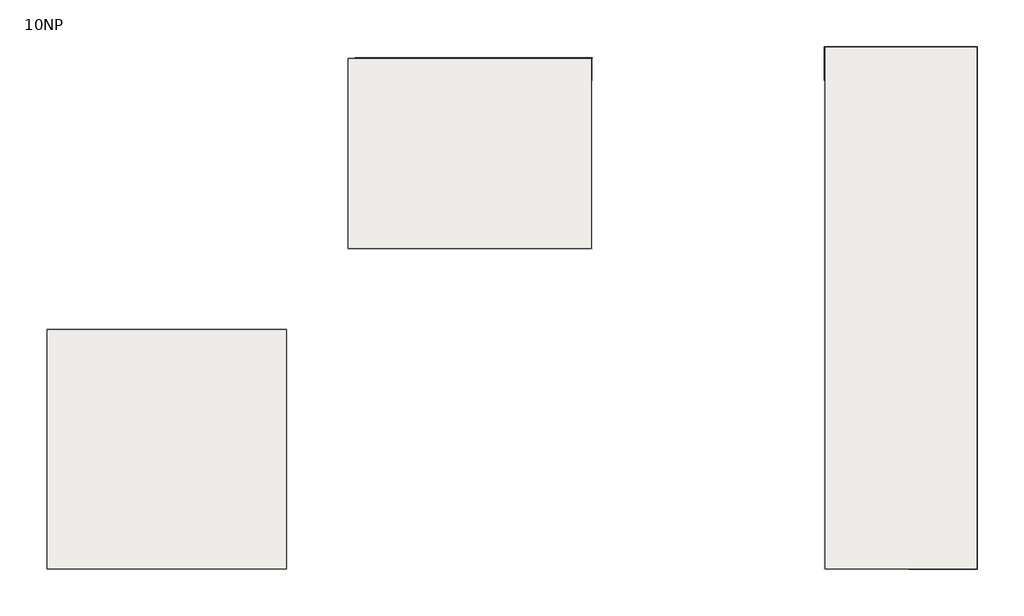
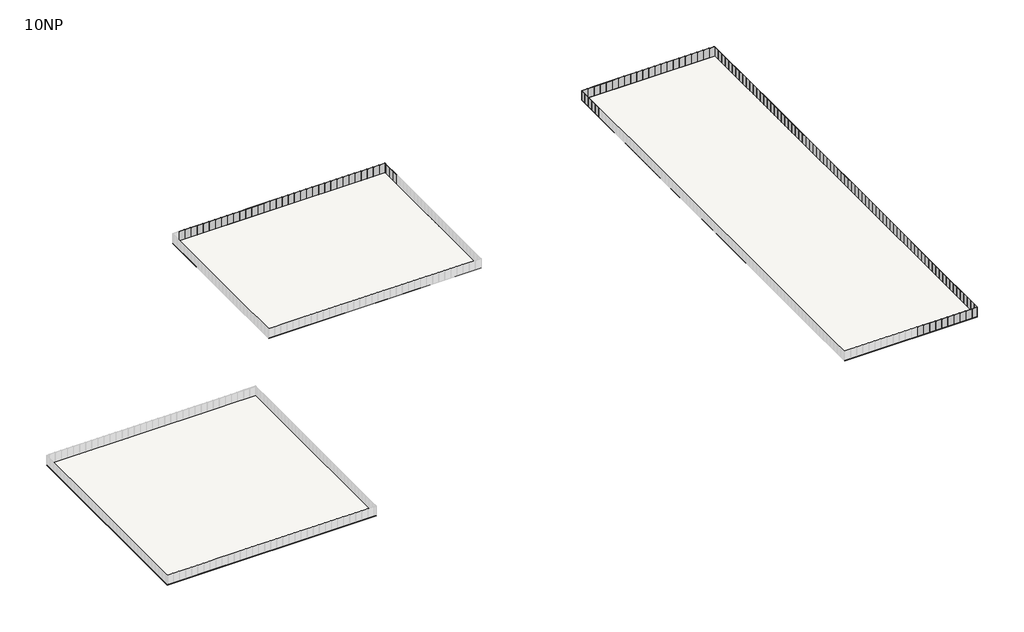
# One storey, part 3 of 3: 150 plates, 3 slabs.
"""IFC4 building model written with IfcOpenShell, lengths in millimetres."""

import ifcopenshell
import ifcopenshell.guid

model = None  # the IFC model being written
_history = None  # IfcOwnerHistory: only IFC2X3 demands one
_inside = {}  # id of a spatial element -> (the spatial element, [elements in it])
_under = {}  # id of a project, library or spatial element -> (it, [spatial elements below it])
_declared = {}  # id of a project -> (the project, [libraries it declares])
_typed = {}  # id of a type object -> (the type object, [elements of that type])
_made_of = {}  # id of a material, layer set ... -> (it, [elements and type objects made of it])


def new_model(schema):
    """Start an empty IFC model of exactly this schema.

    Asked for "IFC4X3", IfcOpenShell would pick the latest addendum, in which some entities
    have other attributes; the version numbers below select the first issue.
    IFC2X3 requires an IfcOwnerHistory on every rooted entity: one is made here for all.
    """
    global model, _history
    if schema == "IFC4X3":
        model = ifcopenshell.file(schema_version=(4, 3, 0, 0))
    else:
        model = ifcopenshell.file(schema=schema)
    _inside.clear()
    _under.clear()
    _declared.clear()
    _typed.clear()
    _made_of.clear()
    _history = None
    if model.schema == "IFC2X3":
        org = make("IfcOrganization", Name="unknown")
        user = make(
            "IfcPersonAndOrganization",
            ThePerson=make("IfcPerson", FamilyName="unknown"),
            TheOrganization=org,
        )
        app = make(
            "IfcApplication",
            ApplicationDeveloper=org,
            Version="unknown",
            ApplicationFullName="unknown",
            ApplicationIdentifier="unknown",
        )
        _history = make(
            "IfcOwnerHistory",
            OwningUser=user,
            OwningApplication=app,
            ChangeAction="ADDED",
            CreationDate=0,
        )
    return model


def make(cls, **values):
    """One entity of the class cls with the attributes given. An attribute that is None is left unset."""
    return model.create_entity(
        cls, **{name: value for name, value in values.items() if value is not None}
    )


def rooted(cls, **values):
    """An entity with a GlobalId (a new one), such as an element, a storey or a relation."""
    return make(cls, GlobalId=ifcopenshell.guid.new(), OwnerHistory=_history, **values)


def si_unit(unit_type, name, prefix=None):
    """IfcSIUnit, for example si_unit("LENGTHUNIT", "METRE", prefix="MILLI")."""
    return make("IfcSIUnit", UnitType=unit_type, Prefix=prefix, Name=name)


def assignment(units):
    """IfcUnitAssignment: the units of a project."""
    return None if units is None else make("IfcUnitAssignment", Units=units)


def point(xyz):
    """IfcCartesianPoint."""
    return None if xyz is None else make("IfcCartesianPoint", Coordinates=xyz)


def direction(xyz):
    """IfcDirection."""
    return None if xyz is None else make("IfcDirection", DirectionRatios=xyz)


def frame(location, z_axis=None, x_axis=None):
    """IfcAxis2Placement3D, a coordinate frame: its origin and axes. An axis left out is left unset."""
    return make(
        "IfcAxis2Placement3D",
        Location=point(location),
        Axis=direction(z_axis),
        RefDirection=direction(x_axis),
    )


def origin():
    """The frame at (0, 0, 0) with its axes left unset."""
    return frame((0.0, 0.0, 0.0))


def origin_with_axes():
    """The frame at (0, 0, 0) with the z axis (0, 0, 1) and the x axis (1, 0, 0) written out."""
    return frame((0.0, 0.0, 0.0), z_axis=(0.0, 0.0, 1.0), x_axis=(1.0, 0.0, 0.0))


def place(relative_to, where):
    """IfcLocalPlacement: puts the frame where relative to a parent placement (None: the world)."""
    return make(
        "IfcLocalPlacement", PlacementRelTo=relative_to, RelativePlacement=where
    )


def context(
    kind, dimensions, precision=None, world=None, true_north=None, identifier=None
):
    """IfcGeometricRepresentationContext, for example the 3D "Model" context."""
    return make(
        "IfcGeometricRepresentationContext",
        ContextIdentifier=identifier,
        ContextType=kind,
        CoordinateSpaceDimension=dimensions,
        Precision=precision,
        WorldCoordinateSystem=world,
        TrueNorth=true_north,
    )


def project(units=None, contexts=None):
    """IfcProject with its units and contexts."""
    return rooted(
        "IfcProject",
        Name="project",
        RepresentationContexts=contexts,
        UnitsInContext=assignment(units),
    )


def spatial(cls, under=None, at=None, **own):
    """A site, building, storey or space (cls), placed at a placement, below another one or the project."""
    s = rooted(cls, ObjectPlacement=at, **own)
    if under is not None:
        _under.setdefault(under.id(), (under, []))[1].append(s)
    return s


def polyline(points):
    """IfcPolyline through the points."""
    return make("IfcPolyline", Points=[point(p) for p in points])


def outline(outer, holes=None, kind="AREA"):
    """IfcArbitraryClosedProfileDef: a profile drawn as a closed curve; with holes, ...WithVoids."""
    if holes is None:
        return make("IfcArbitraryClosedProfileDef", ProfileType=kind, OuterCurve=outer)
    return make(
        "IfcArbitraryProfileDefWithVoids",
        ProfileType=kind,
        OuterCurve=outer,
        InnerCurves=holes,
    )


def extrude(swept, where, along, depth):
    """IfcExtrudedAreaSolid: the profile swept, set in the frame where, extruded along a direction by depth."""
    return make(
        "IfcExtrudedAreaSolid",
        SweptArea=swept,
        Position=where,
        ExtrudedDirection=direction(along),
        Depth=depth,
    )


def shape(context_of_items, identifier, shape_type, items):
    """IfcShapeRepresentation: the items that make up one representation, for example the "Body"."""
    return make(
        "IfcShapeRepresentation",
        ContextOfItems=context_of_items,
        RepresentationIdentifier=identifier,
        RepresentationType=shape_type,
        Items=items,
    )


def source(mapping_origin, context_of_items, identifier, shape_type, items):
    """IfcRepresentationMap: a shape defined once, which mapped items show again and again."""
    return make(
        "IfcRepresentationMap",
        MappingOrigin=mapping_origin,
        MappedRepresentation=shape(context_of_items, identifier, shape_type, items),
    )


def transform(
    local_origin,
    x_axis=None,
    y_axis=None,
    z_axis=None,
    scale=None,
    scale2=None,
    scale3=None,
    uniform=True,
):
    """IfcCartesianTransformationOperator3D, or its non-uniform kind. x_axis, y_axis, z_axis: its Axis1, 2, 3."""
    if uniform:
        return make(
            "IfcCartesianTransformationOperator3D",
            Axis1=direction(x_axis),
            Axis2=direction(y_axis),
            LocalOrigin=point(local_origin),
            Scale=scale,
            Axis3=direction(z_axis),
        )
    return make(
        "IfcCartesianTransformationOperator3DnonUniform",
        Axis1=direction(x_axis),
        Axis2=direction(y_axis),
        LocalOrigin=point(local_origin),
        Scale=scale,
        Axis3=direction(z_axis),
        Scale2=scale2,
        Scale3=scale3,
    )


def mapped(mapping_source, mapping_target):
    """IfcMappedItem: shows the shape of a source again, moved by a transform."""
    return make(
        "IfcMappedItem", MappingSource=mapping_source, MappingTarget=mapping_target
    )


def made_of(thing, what):
    """Note that an element or type object is made of a material, layer set ...; save() writes the relation."""
    if what is not None:
        _made_of.setdefault(what.id(), (what, []))[1].append(thing)
    return thing


def element(
    cls,
    number,
    at=None,
    inside=None,
    cuts=None,
    type_object=None,
    material=None,
    context=None,
    identifier="Body",
    shape_type=None,
    held_by="IfcProductDefinitionShape",
    body=None,
    shapes=None,
    **own,
):
    """One element of the class cls, such as IfcWall. Its Tag is "e" and its number.

    at: its placement. inside: the storey or other place that contains it. cuts: it is an
    opening in that element (IfcRelVoidsElement). A single representation is given by context,
    identifier, shape_type and body (its items); several are given by shapes. held_by: the class
    of the entity that holds the representations. save() writes the other relations.
    """
    e = rooted(cls, Tag="e%d" % number, ObjectPlacement=at, **own)
    if body is not None:
        shapes = [shape(context, identifier, shape_type, body)]
    if shapes is not None:
        e.Representation = make(held_by, Representations=shapes)
    if inside is not None:
        _inside.setdefault(inside.id(), (inside, []))[1].append(e)
    if cuts is not None:
        rooted(
            "IfcRelVoidsElement", RelatingBuildingElement=cuts, RelatedOpeningElement=e
        )
    if type_object is not None:
        _typed.setdefault(type_object.id(), (type_object, []))[1].append(e)
    return made_of(e, material)


def aggregate(whole, parts):
    """IfcRelAggregates: a whole, such as a stair, and the parts it consists of."""
    return rooted("IfcRelAggregates", RelatingObject=whole, RelatedObjects=parts)


def save(model, path):
    """Write the relations noted so far, then the file.

    IfcRelAggregates (storeys below a building ...), IfcRelContainedInSpatialStructure (elements
    in a storey), IfcRelDefinesByType, IfcRelAssociatesMaterial and IfcRelDeclares: one each for
    every whole, place, type object, material and project.
    """
    for whole, parts in _under.values():
        aggregate(whole, parts)
    for where, things in _inside.values():
        rooted(
            "IfcRelContainedInSpatialStructure",
            RelatedElements=things,
            RelatingStructure=where,
        )
    for kind, things in _typed.values():
        rooted("IfcRelDefinesByType", RelatedObjects=things, RelatingType=kind)
    for what, things in _made_of.values():
        rooted("IfcRelAssociatesMaterial", RelatedObjects=things, RelatingMaterial=what)
    for by, libraries in _declared.values():
        rooted("IfcRelDeclares", RelatingContext=by, RelatedDefinitions=libraries)
    model.write(path)


def plate_1b9f2f65(model_context):
    return source(origin(), model_context, "Body", "SweptSolid", [
        extrude(outline(polyline([(915.0000002, 24.5), (-915.0000002, 24.5), (-915.0000002, 49.5), (915.0000002, 49.5), (915.0000002, 24.5)])), origin_with_axes(), (0.0, 0.0, 1.0), 3000.0),
    ])


def plate_9b70a8c7(model_context):
    return source(origin(), model_context, "Body", "SweptSolid", [
        extrude(outline(polyline([(784.9999998, 24.5), (-784.9999998, 24.5), (-784.9999998, 49.5), (784.9999998, 49.5), (784.9999998, 24.5)])), origin_with_axes(), (0.0, 0.0, 1.0), 3000.0),
    ])


def plate_1a719a74(model_context):
    return source(origin(), model_context, "Body", "SweptSolid", [
        extrude(outline(polyline([(789.9999998, 24.5), (-789.9999998, 24.5), (-789.9999998, 49.5), (789.9999998, 49.5), (789.9999998, 24.5)])), origin_with_axes(), (0.0, 0.0, 1.0), 3000.0),
    ])


def plate_968afdac(model_context):
    return source(origin(), model_context, "Body", "SweptSolid", [
        extrude(outline(polyline([(294.9999998, 24.5), (-294.9999998, 24.5), (-294.9999998, 49.5), (294.9999998, 49.5), (294.9999998, 24.5)])), origin_with_axes(), (0.0, 0.0, 1.0), 3000.0),
    ])


def plate_6aa52e40(model_context):
    return source(origin(), model_context, "Body", "SweptSolid", [
        extrude(outline(polyline([(889.9999998, 24.5), (-889.9999998, 24.5), (-889.9999998, 49.5), (889.9999998, 49.5), (889.9999998, 24.5)])), origin_with_axes(), (0.0, 0.0, 1.0), 3000.0),
    ])


model = new_model("IFC4")

# Units and contexts
model_context = context("Model", 3, world=origin())
ifc_project = project(units=[si_unit("LENGTHUNIT", "METRE", prefix="MILLI")], contexts=[model_context])

# Site, building, storey
site = spatial("IfcSite", under=ifc_project)
building = spatial("IfcBuilding", under=site)
storey = spatial("IfcBuildingStorey", under=building, Name="10NP", Elevation=27000.0)

# Plates
placement = place(None, origin())
plate_shape = plate_1b9f2f65(model_context)
element("IfcPlate", 1, at=placement, inside=storey, context=model_context, shape_type="MappedRepresentation", body=[
    mapped(plate_shape, transform((124000.0, 129015.0000003, 27000.0), x_axis=(0.0, 1.0, 0.0), y_axis=(-1.0, 0.0, 0.0), z_axis=(0.0, 0.0, 1.0))),
])
element("IfcPlate", 2, at=placement, inside=storey, context=model_context, shape_type="MappedRepresentation", body=[
    mapped(plate_shape, transform((124000.0, 130845.0000003, 27000.0), x_axis=(0.0, 1.0, 0.0), y_axis=(-1.0, 0.0, 0.0), z_axis=(0.0, 0.0, 1.0))),
])
element("IfcPlate", 3, at=placement, inside=storey, context=model_context, shape_type="MappedRepresentation", body=[
    mapped(plate_shape, transform((124000.0, 132675.0000003, 27000.0), x_axis=(0.0, 1.0, 0.0), y_axis=(-1.0, 0.0, 0.0), z_axis=(0.0, 0.0, 1.0))),
])
element("IfcPlate", 4, at=placement, inside=storey, context=model_context, shape_type="MappedRepresentation", body=[
    mapped(plate_shape, transform((124000.0, 134505.0000003, 27000.0), x_axis=(0.0, 1.0, 0.0), y_axis=(-1.0, 0.0, 0.0), z_axis=(0.0, 0.0, 1.0))),
])
element("IfcPlate", 5, at=placement, inside=storey, context=model_context, shape_type="MappedRepresentation", body=[
    mapped(plate_shape, transform((124915.0000002, 137000.0, 27000.0), x_axis=(1.0, 0.0, 0.0), y_axis=(0.0, 1.0, 0.0), z_axis=(0.0, 0.0, 1.0))),
])
element("IfcPlate", 6, at=placement, inside=storey, context=model_context, shape_type="MappedRepresentation", body=[
    mapped(plate_shape, transform((126745.0000003, 137000.0, 27000.0), x_axis=(1.0, 0.0, 0.0), y_axis=(0.0, 1.0, 0.0), z_axis=(0.0, 0.0, 1.0))),
])
element("IfcPlate", 7, at=placement, inside=storey, context=model_context, shape_type="MappedRepresentation", body=[
    mapped(plate_shape, transform((128575.0000003, 137000.0, 27000.0), x_axis=(1.0, 0.0, 0.0), y_axis=(0.0, 1.0, 0.0), z_axis=(0.0, 0.0, 1.0))),
])
element("IfcPlate", 8, at=placement, inside=storey, context=model_context, shape_type="MappedRepresentation", body=[
    mapped(plate_shape, transform((130405.0000003, 137000.0, 27000.0), x_axis=(1.0, 0.0, 0.0), y_axis=(0.0, 1.0, 0.0), z_axis=(0.0, 0.0, 1.0))),
])
element("IfcPlate", 9, at=placement, inside=storey, context=model_context, shape_type="MappedRepresentation", body=[
    mapped(plate_shape, transform((132235.0000003, 137000.0, 27000.0), x_axis=(1.0, 0.0, 0.0), y_axis=(0.0, 1.0, 0.0), z_axis=(0.0, 0.0, 1.0))),
])
element("IfcPlate", 10, at=placement, inside=storey, context=model_context, shape_type="MappedRepresentation", body=[
    mapped(plate_shape, transform((134065.0000003, 137000.0, 27000.0), x_axis=(1.0, 0.0, 0.0), y_axis=(0.0, 1.0, 0.0), z_axis=(0.0, 0.0, 1.0))),
])
element("IfcPlate", 11, at=placement, inside=storey, context=model_context, shape_type="MappedRepresentation", body=[
    mapped(plate_shape, transform((135895.0000003, 137000.0, 27000.0), x_axis=(1.0, 0.0, 0.0), y_axis=(0.0, 1.0, 0.0), z_axis=(0.0, 0.0, 1.0))),
])
element("IfcPlate", 12, at=placement, inside=storey, context=model_context, shape_type="MappedRepresentation", body=[
    mapped(plate_shape, transform((137725.0000003, 137000.0, 27000.0), x_axis=(1.0, 0.0, 0.0), y_axis=(0.0, 1.0, 0.0), z_axis=(0.0, 0.0, 1.0))),
])
element("IfcPlate", 13, at=placement, inside=storey, context=model_context, shape_type="MappedRepresentation", body=[
    mapped(plate_shape, transform((139555.0000003, 137000.0, 27000.0), x_axis=(1.0, 0.0, 0.0), y_axis=(0.0, 1.0, 0.0), z_axis=(0.0, 0.0, 1.0))),
])
element("IfcPlate", 14, at=placement, inside=storey, context=model_context, shape_type="MappedRepresentation", body=[
    mapped(plate_shape, transform((141385.0000003, 137000.0, 27000.0), x_axis=(1.0, 0.0, 0.0), y_axis=(0.0, 1.0, 0.0), z_axis=(0.0, 0.0, 1.0))),
])
element("IfcPlate", 15, at=placement, inside=storey, context=model_context, shape_type="MappedRepresentation", body=[
    mapped(plate_shape, transform((143215.0000003, 137000.0, 27000.0), x_axis=(1.0, 0.0, 0.0), y_axis=(0.0, 1.0, 0.0), z_axis=(0.0, 0.0, 1.0))),
])
element("IfcPlate", 16, at=placement, inside=storey, context=model_context, shape_type="MappedRepresentation", body=[
    mapped(plate_shape, transform((145045.0000003, 137000.0, 27000.0), x_axis=(1.0, 0.0, 0.0), y_axis=(0.0, 1.0, 0.0), z_axis=(0.0, 0.0, 1.0))),
])
element("IfcPlate", 17, at=placement, inside=storey, context=model_context, shape_type="MappedRepresentation", body=[
    mapped(plate_shape, transform((146875.0000003, 137000.0, 27000.0), x_axis=(1.0, 0.0, 0.0), y_axis=(0.0, 1.0, 0.0), z_axis=(0.0, 0.0, 1.0))),
])
element("IfcPlate", 18, at=placement, inside=storey, context=model_context, shape_type="MappedRepresentation", body=[
    mapped(plate_shape, transform((148705.0000003, 137000.0, 27000.0), x_axis=(1.0, 0.0, 0.0), y_axis=(0.0, 1.0, 0.0), z_axis=(0.0, 0.0, 1.0))),
])
element("IfcPlate", 19, at=placement, inside=storey, context=model_context, shape_type="MappedRepresentation", body=[
    mapped(plate_shape, transform((150535.0000003, 137000.0, 27000.0), x_axis=(1.0, 0.0, 0.0), y_axis=(0.0, 1.0, 0.0), z_axis=(0.0, 0.0, 1.0))),
])
element("IfcPlate", 20, at=placement, inside=storey, context=model_context, shape_type="MappedRepresentation", body=[
    mapped(plate_shape, transform((152365.0000003, 137000.0, 27000.0), x_axis=(1.0, 0.0, 0.0), y_axis=(0.0, 1.0, 0.0), z_axis=(0.0, 0.0, 1.0))),
])
element("IfcPlate", 21, at=placement, inside=storey, context=model_context, shape_type="MappedRepresentation", body=[
    mapped(plate_shape, transform((154195.0000003, 137000.0, 27000.0), x_axis=(1.0, 0.0, 0.0), y_axis=(0.0, 1.0, 0.0), z_axis=(0.0, 0.0, 1.0))),
])
element("IfcPlate", 22, at=placement, inside=storey, context=model_context, shape_type="MappedRepresentation", body=[
    mapped(plate_shape, transform((156025.0000003, 137000.0, 27000.0), x_axis=(1.0, 0.0, 0.0), y_axis=(0.0, 1.0, 0.0), z_axis=(0.0, 0.0, 1.0))),
])
element("IfcPlate", 23, at=placement, inside=storey, context=model_context, shape_type="MappedRepresentation", body=[
    mapped(plate_shape, transform((157855.0000003, 137000.0, 27000.0), x_axis=(1.0, 0.0, 0.0), y_axis=(0.0, 1.0, 0.0), z_axis=(0.0, 0.0, 1.0))),
])
element("IfcPlate", 24, at=placement, inside=storey, context=model_context, shape_type="MappedRepresentation", body=[
    mapped(plate_shape, transform((159685.0000003, 137000.0, 27000.0), x_axis=(1.0, 0.0, 0.0), y_axis=(0.0, 1.0, 0.0), z_axis=(0.0, 0.0, 1.0))),
])
element("IfcPlate", 25, at=placement, inside=storey, context=model_context, shape_type="MappedRepresentation", body=[
    mapped(plate_shape, transform((161515.0000003, 137000.0, 27000.0), x_axis=(1.0, 0.0, 0.0), y_axis=(0.0, 1.0, 0.0), z_axis=(0.0, 0.0, 1.0))),
])
element("IfcPlate", 26, at=placement, inside=storey, context=model_context, shape_type="MappedRepresentation", body=[
    mapped(plate_shape, transform((164000.0, 136084.9999998, 27000.0), x_axis=(0.0, -1.0, 0.0), y_axis=(1.0, 0.0, 0.0), z_axis=(0.0, 0.0, 1.0))),
])
element("IfcPlate", 27, at=placement, inside=storey, context=model_context, shape_type="MappedRepresentation", body=[
    mapped(plate_shape, transform((164000.0, 134254.9999997, 27000.0), x_axis=(0.0, -1.0, 0.0), y_axis=(1.0, 0.0, 0.0), z_axis=(0.0, 0.0, 1.0))),
])
element("IfcPlate", 28, at=placement, inside=storey, context=model_context, shape_type="MappedRepresentation", body=[
    mapped(plate_shape, transform((164000.0, 132424.9999997, 27000.0), x_axis=(0.0, -1.0, 0.0), y_axis=(1.0, 0.0, 0.0), z_axis=(0.0, 0.0, 1.0))),
])
element("IfcPlate", 29, at=placement, inside=storey, context=model_context, shape_type="MappedRepresentation", body=[
    mapped(plate_shape, transform((164000.0, 130594.9999997, 27000.0), x_axis=(0.0, -1.0, 0.0), y_axis=(1.0, 0.0, 0.0), z_axis=(0.0, 0.0, 1.0))),
])
element("IfcPlate", 30, at=placement, inside=storey, context=model_context, shape_type="MappedRepresentation", body=[
    mapped(plate_shape, transform((164000.0, 128764.9999997, 27000.0), x_axis=(0.0, -1.0, 0.0), y_axis=(1.0, 0.0, 0.0), z_axis=(0.0, 0.0, 1.0))),
])
element("IfcPlate", 31, at=placement, inside=storey, context=model_context, shape_type="MappedRepresentation", body=[
    mapped(plate_shape, transform((164000.0, 126934.9999997, 27000.0), x_axis=(0.0, -1.0, 0.0), y_axis=(1.0, 0.0, 0.0), z_axis=(0.0, 0.0, 1.0))),
])
element("IfcPlate", 32, at=placement, inside=storey, context=model_context, shape_type="MappedRepresentation", body=[
    mapped(plate_shape, transform((164000.0, 125104.9999997, 27000.0), x_axis=(0.0, -1.0, 0.0), y_axis=(1.0, 0.0, 0.0), z_axis=(0.0, 0.0, 1.0))),
])
element("IfcPlate", 33, at=placement, inside=storey, context=model_context, shape_type="MappedRepresentation", body=[
    mapped(plate_shape, transform((164000.0, 123274.9999997, 27000.0), x_axis=(0.0, -1.0, 0.0), y_axis=(1.0, 0.0, 0.0), z_axis=(0.0, 0.0, 1.0))),
])
element("IfcPlate", 34, at=placement, inside=storey, context=model_context, shape_type="MappedRepresentation", body=[
    mapped(plate_shape, transform((164000.0, 121444.9999997, 27000.0), x_axis=(0.0, -1.0, 0.0), y_axis=(1.0, 0.0, 0.0), z_axis=(0.0, 0.0, 1.0))),
])
element("IfcPlate", 35, at=placement, inside=storey, context=model_context, shape_type="MappedRepresentation", body=[
    mapped(plate_shape, transform((164000.0, 119614.9999997, 27000.0), x_axis=(0.0, -1.0, 0.0), y_axis=(1.0, 0.0, 0.0), z_axis=(0.0, 0.0, 1.0))),
])
element("IfcPlate", 36, at=placement, inside=storey, context=model_context, shape_type="MappedRepresentation", body=[
    mapped(plate_shape, transform((164000.0, 117784.9999997, 27000.0), x_axis=(0.0, -1.0, 0.0), y_axis=(1.0, 0.0, 0.0), z_axis=(0.0, 0.0, 1.0))),
])
element("IfcPlate", 37, at=placement, inside=storey, context=model_context, shape_type="MappedRepresentation", body=[
    mapped(plate_shape, transform((164000.0, 115954.9999997, 27000.0), x_axis=(0.0, -1.0, 0.0), y_axis=(1.0, 0.0, 0.0), z_axis=(0.0, 0.0, 1.0))),
])
element("IfcPlate", 38, at=placement, inside=storey, context=model_context, shape_type="MappedRepresentation", body=[
    mapped(plate_shape, transform((164000.0, 114124.9999997, 27000.0), x_axis=(0.0, -1.0, 0.0), y_axis=(1.0, 0.0, 0.0), z_axis=(0.0, 0.0, 1.0))),
])
element("IfcPlate", 39, at=placement, inside=storey, context=model_context, shape_type="MappedRepresentation", body=[
    mapped(plate_shape, transform((164000.0, 112294.9999997, 27000.0), x_axis=(0.0, -1.0, 0.0), y_axis=(1.0, 0.0, 0.0), z_axis=(0.0, 0.0, 1.0))),
])
element("IfcPlate", 40, at=placement, inside=storey, context=model_context, shape_type="MappedRepresentation", body=[
    mapped(plate_shape, transform((164000.0, 110464.9999997, 27000.0), x_axis=(0.0, -1.0, 0.0), y_axis=(1.0, 0.0, 0.0), z_axis=(0.0, 0.0, 1.0))),
])
element("IfcPlate", 41, at=placement, inside=storey, context=model_context, shape_type="MappedRepresentation", body=[
    mapped(plate_shape, transform((164000.0, 108634.9999997, 27000.0), x_axis=(0.0, -1.0, 0.0), y_axis=(1.0, 0.0, 0.0), z_axis=(0.0, 0.0, 1.0))),
])
element("IfcPlate", 42, at=placement, inside=storey, context=model_context, shape_type="MappedRepresentation", body=[
    mapped(plate_shape, transform((164000.0, 106804.9999997, 27000.0), x_axis=(0.0, -1.0, 0.0), y_axis=(1.0, 0.0, 0.0), z_axis=(0.0, 0.0, 1.0))),
])
element("IfcPlate", 43, at=placement, inside=storey, context=model_context, shape_type="MappedRepresentation", body=[
    mapped(plate_shape, transform((164000.0, 104974.9999997, 27000.0), x_axis=(0.0, -1.0, 0.0), y_axis=(1.0, 0.0, 0.0), z_axis=(0.0, 0.0, 1.0))),
])
element("IfcPlate", 44, at=placement, inside=storey, context=model_context, shape_type="MappedRepresentation", body=[
    mapped(plate_shape, transform((164000.0, 103144.9999997, 27000.0), x_axis=(0.0, -1.0, 0.0), y_axis=(1.0, 0.0, 0.0), z_axis=(0.0, 0.0, 1.0))),
])
element("IfcPlate", 45, at=placement, inside=storey, context=model_context, shape_type="MappedRepresentation", body=[
    mapped(plate_shape, transform((164000.0, 101314.9999997, 27000.0), x_axis=(0.0, -1.0, 0.0), y_axis=(1.0, 0.0, 0.0), z_axis=(0.0, 0.0, 1.0))),
])
element("IfcPlate", 46, at=placement, inside=storey, context=model_context, shape_type="MappedRepresentation", body=[
    mapped(plate_shape, transform((164000.0, 99484.9999997, 27000.0), x_axis=(0.0, -1.0, 0.0), y_axis=(1.0, 0.0, 0.0), z_axis=(0.0, 0.0, 1.0))),
])
element("IfcPlate", 47, at=placement, inside=storey, context=model_context, shape_type="MappedRepresentation", body=[
    mapped(plate_shape, transform((164000.0, 97654.9999997, 27000.0), x_axis=(0.0, -1.0, 0.0), y_axis=(1.0, 0.0, 0.0), z_axis=(0.0, 0.0, 1.0))),
])
element("IfcPlate", 48, at=placement, inside=storey, context=model_context, shape_type="MappedRepresentation", body=[
    mapped(plate_shape, transform((164000.0, 95824.9999997, 27000.0), x_axis=(0.0, -1.0, 0.0), y_axis=(1.0, 0.0, 0.0), z_axis=(0.0, 0.0, 1.0))),
])
element("IfcPlate", 49, at=placement, inside=storey, context=model_context, shape_type="MappedRepresentation", body=[
    mapped(plate_shape, transform((164000.0, 93994.9999997, 27000.0), x_axis=(0.0, -1.0, 0.0), y_axis=(1.0, 0.0, 0.0), z_axis=(0.0, 0.0, 1.0))),
])
element("IfcPlate", 50, at=placement, inside=storey, context=model_context, shape_type="MappedRepresentation", body=[
    mapped(plate_shape, transform((164000.0, 92164.9999997, 27000.0), x_axis=(0.0, -1.0, 0.0), y_axis=(1.0, 0.0, 0.0), z_axis=(0.0, 0.0, 1.0))),
])
element("IfcPlate", 51, at=placement, inside=storey, context=model_context, shape_type="MappedRepresentation", body=[
    mapped(plate_shape, transform((164000.0, 90334.9999997, 27000.0), x_axis=(0.0, -1.0, 0.0), y_axis=(1.0, 0.0, 0.0), z_axis=(0.0, 0.0, 1.0))),
])
element("IfcPlate", 52, at=placement, inside=storey, context=model_context, shape_type="MappedRepresentation", body=[
    mapped(plate_shape, transform((164000.0, 88504.9999997, 27000.0), x_axis=(0.0, -1.0, 0.0), y_axis=(1.0, 0.0, 0.0), z_axis=(0.0, 0.0, 1.0))),
])
element("IfcPlate", 53, at=placement, inside=storey, context=model_context, shape_type="MappedRepresentation", body=[
    mapped(plate_shape, transform((164000.0, 86674.9999997, 27000.0), x_axis=(0.0, -1.0, 0.0), y_axis=(1.0, 0.0, 0.0), z_axis=(0.0, 0.0, 1.0))),
])
element("IfcPlate", 54, at=placement, inside=storey, context=model_context, shape_type="MappedRepresentation", body=[
    mapped(plate_shape, transform((164000.0, 84844.9999997, 27000.0), x_axis=(0.0, -1.0, 0.0), y_axis=(1.0, 0.0, 0.0), z_axis=(0.0, 0.0, 1.0))),
])
element("IfcPlate", 55, at=placement, inside=storey, context=model_context, shape_type="MappedRepresentation", body=[
    mapped(plate_shape, transform((164000.0, 83014.9999997, 27000.0), x_axis=(0.0, -1.0, 0.0), y_axis=(1.0, 0.0, 0.0), z_axis=(0.0, 0.0, 1.0))),
])
element("IfcPlate", 56, at=placement, inside=storey, context=model_context, shape_type="MappedRepresentation", body=[
    mapped(plate_shape, transform((164000.0, 81184.9999997, 27000.0), x_axis=(0.0, -1.0, 0.0), y_axis=(1.0, 0.0, 0.0), z_axis=(0.0, 0.0, 1.0))),
])
element("IfcPlate", 57, at=placement, inside=storey, context=model_context, shape_type="MappedRepresentation", body=[
    mapped(plate_shape, transform((164000.0, 79354.9999997, 27000.0), x_axis=(0.0, -1.0, 0.0), y_axis=(1.0, 0.0, 0.0), z_axis=(0.0, 0.0, 1.0))),
])
element("IfcPlate", 58, at=placement, inside=storey, context=model_context, shape_type="MappedRepresentation", body=[
    mapped(plate_shape, transform((164000.0, 77524.9999997, 27000.0), x_axis=(0.0, -1.0, 0.0), y_axis=(1.0, 0.0, 0.0), z_axis=(0.0, 0.0, 1.0))),
])
element("IfcPlate", 59, at=placement, inside=storey, context=model_context, shape_type="MappedRepresentation", body=[
    mapped(plate_shape, transform((164000.0, 75694.9999997, 27000.0), x_axis=(0.0, -1.0, 0.0), y_axis=(1.0, 0.0, 0.0), z_axis=(0.0, 0.0, 1.0))),
])
element("IfcPlate", 60, at=placement, inside=storey, context=model_context, shape_type="MappedRepresentation", body=[
    mapped(plate_shape, transform((164000.0, 73864.9999997, 27000.0), x_axis=(0.0, -1.0, 0.0), y_axis=(1.0, 0.0, 0.0), z_axis=(0.0, 0.0, 1.0))),
])
element("IfcPlate", 61, at=placement, inside=storey, context=model_context, shape_type="MappedRepresentation", body=[
    mapped(plate_shape, transform((164000.0, 72034.9999997, 27000.0), x_axis=(0.0, -1.0, 0.0), y_axis=(1.0, 0.0, 0.0), z_axis=(0.0, 0.0, 1.0))),
])
element("IfcPlate", 62, at=placement, inside=storey, context=model_context, shape_type="MappedRepresentation", body=[
    mapped(plate_shape, transform((164000.0, 70204.9999997, 27000.0), x_axis=(0.0, -1.0, 0.0), y_axis=(1.0, 0.0, 0.0), z_axis=(0.0, 0.0, 1.0))),
])
element("IfcPlate", 63, at=placement, inside=storey, context=model_context, shape_type="MappedRepresentation", body=[
    mapped(plate_shape, transform((164000.0, 68374.9999997, 27000.0), x_axis=(0.0, -1.0, 0.0), y_axis=(1.0, 0.0, 0.0), z_axis=(0.0, 0.0, 1.0))),
])
element("IfcPlate", 64, at=placement, inside=storey, context=model_context, shape_type="MappedRepresentation", body=[
    mapped(plate_shape, transform((164000.0, 66544.9999997, 27000.0), x_axis=(0.0, -1.0, 0.0), y_axis=(1.0, 0.0, 0.0), z_axis=(0.0, 0.0, 1.0))),
])
element("IfcPlate", 65, at=placement, inside=storey, context=model_context, shape_type="MappedRepresentation", body=[
    mapped(plate_shape, transform((164000.0, 64714.9999997, 27000.0), x_axis=(0.0, -1.0, 0.0), y_axis=(1.0, 0.0, 0.0), z_axis=(0.0, 0.0, 1.0))),
])
element("IfcPlate", 66, at=placement, inside=storey, context=model_context, shape_type="MappedRepresentation", body=[
    mapped(plate_shape, transform((164000.0, 62884.9999997, 27000.0), x_axis=(0.0, -1.0, 0.0), y_axis=(1.0, 0.0, 0.0), z_axis=(0.0, 0.0, 1.0))),
])
element("IfcPlate", 67, at=placement, inside=storey, context=model_context, shape_type="MappedRepresentation", body=[
    mapped(plate_shape, transform((164000.0, 61054.9999997, 27000.0), x_axis=(0.0, -1.0, 0.0), y_axis=(1.0, 0.0, 0.0), z_axis=(0.0, 0.0, 1.0))),
])
element("IfcPlate", 68, at=placement, inside=storey, context=model_context, shape_type="MappedRepresentation", body=[
    mapped(plate_shape, transform((164000.0, 59224.9999997, 27000.0), x_axis=(0.0, -1.0, 0.0), y_axis=(1.0, 0.0, 0.0), z_axis=(0.0, 0.0, 1.0))),
])
element("IfcPlate", 69, at=placement, inside=storey, context=model_context, shape_type="MappedRepresentation", body=[
    mapped(plate_shape, transform((164000.0, 57394.9999997, 27000.0), x_axis=(0.0, -1.0, 0.0), y_axis=(1.0, 0.0, 0.0), z_axis=(0.0, 0.0, 1.0))),
])
element("IfcPlate", 70, at=placement, inside=storey, context=model_context, shape_type="MappedRepresentation", body=[
    mapped(plate_shape, transform((164000.0, 55564.9999997, 27000.0), x_axis=(0.0, -1.0, 0.0), y_axis=(1.0, 0.0, 0.0), z_axis=(0.0, 0.0, 1.0))),
])
element("IfcPlate", 71, at=placement, inside=storey, context=model_context, shape_type="MappedRepresentation", body=[
    mapped(plate_shape, transform((164000.0, 53734.9999997, 27000.0), x_axis=(0.0, -1.0, 0.0), y_axis=(1.0, 0.0, 0.0), z_axis=(0.0, 0.0, 1.0))),
])
element("IfcPlate", 72, at=placement, inside=storey, context=model_context, shape_type="MappedRepresentation", body=[
    mapped(plate_shape, transform((164000.0, 51904.9999997, 27000.0), x_axis=(0.0, -1.0, 0.0), y_axis=(1.0, 0.0, 0.0), z_axis=(0.0, 0.0, 1.0))),
])
element("IfcPlate", 73, at=placement, inside=storey, context=model_context, shape_type="MappedRepresentation", body=[
    mapped(plate_shape, transform((164000.0, 50074.9999997, 27000.0), x_axis=(0.0, -1.0, 0.0), y_axis=(1.0, 0.0, 0.0), z_axis=(0.0, 0.0, 1.0))),
])
element("IfcPlate", 74, at=placement, inside=storey, context=model_context, shape_type="MappedRepresentation", body=[
    mapped(plate_shape, transform((164000.0, 48244.9999997, 27000.0), x_axis=(0.0, -1.0, 0.0), y_axis=(1.0, 0.0, 0.0), z_axis=(0.0, 0.0, 1.0))),
])
element("IfcPlate", 75, at=placement, inside=storey, context=model_context, shape_type="MappedRepresentation", body=[
    mapped(plate_shape, transform((164000.0, 46414.9999997, 27000.0), x_axis=(0.0, -1.0, 0.0), y_axis=(1.0, 0.0, 0.0), z_axis=(0.0, 0.0, 1.0))),
])
element("IfcPlate", 76, at=placement, inside=storey, context=model_context, shape_type="MappedRepresentation", body=[
    mapped(plate_shape, transform((164000.0, 44584.9999997, 27000.0), x_axis=(0.0, -1.0, 0.0), y_axis=(1.0, 0.0, 0.0), z_axis=(0.0, 0.0, 1.0))),
])
element("IfcPlate", 77, at=placement, inside=storey, context=model_context, shape_type="MappedRepresentation", body=[
    mapped(plate_shape, transform((164000.0, 42754.9999997, 27000.0), x_axis=(0.0, -1.0, 0.0), y_axis=(1.0, 0.0, 0.0), z_axis=(0.0, 0.0, 1.0))),
])
element("IfcPlate", 78, at=placement, inside=storey, context=model_context, shape_type="MappedRepresentation", body=[
    mapped(plate_shape, transform((164000.0, 40924.9999997, 27000.0), x_axis=(0.0, -1.0, 0.0), y_axis=(1.0, 0.0, 0.0), z_axis=(0.0, 0.0, 1.0))),
])
element("IfcPlate", 79, at=placement, inside=storey, context=model_context, shape_type="MappedRepresentation", body=[
    mapped(plate_shape, transform((164000.0, 39094.9999997, 27000.0), x_axis=(0.0, -1.0, 0.0), y_axis=(1.0, 0.0, 0.0), z_axis=(0.0, 0.0, 1.0))),
])
element("IfcPlate", 80, at=placement, inside=storey, context=model_context, shape_type="MappedRepresentation", body=[
    mapped(plate_shape, transform((164000.0, 37264.9999997, 27000.0), x_axis=(0.0, -1.0, 0.0), y_axis=(1.0, 0.0, 0.0), z_axis=(0.0, 0.0, 1.0))),
])
element("IfcPlate", 81, at=placement, inside=storey, context=model_context, shape_type="MappedRepresentation", body=[
    mapped(plate_shape, transform((164000.0, 35434.9999997, 27000.0), x_axis=(0.0, -1.0, 0.0), y_axis=(1.0, 0.0, 0.0), z_axis=(0.0, 0.0, 1.0))),
])
element("IfcPlate", 82, at=placement, inside=storey, context=model_context, shape_type="MappedRepresentation", body=[
    mapped(plate_shape, transform((164000.0, 33604.9999997, 27000.0), x_axis=(0.0, -1.0, 0.0), y_axis=(1.0, 0.0, 0.0), z_axis=(0.0, 0.0, 1.0))),
])
element("IfcPlate", 83, at=placement, inside=storey, context=model_context, shape_type="MappedRepresentation", body=[
    mapped(plate_shape, transform((164000.0, 31774.9999997, 27000.0), x_axis=(0.0, -1.0, 0.0), y_axis=(1.0, 0.0, 0.0), z_axis=(0.0, 0.0, 1.0))),
])
element("IfcPlate", 84, at=placement, inside=storey, context=model_context, shape_type="MappedRepresentation", body=[
    mapped(plate_shape, transform((164000.0, 29944.9999997, 27000.0), x_axis=(0.0, -1.0, 0.0), y_axis=(1.0, 0.0, 0.0), z_axis=(0.0, 0.0, 1.0))),
])
element("IfcPlate", 85, at=placement, inside=storey, context=model_context, shape_type="MappedRepresentation", body=[
    mapped(plate_shape, transform((164000.0, 28114.9999997, 27000.0), x_axis=(0.0, -1.0, 0.0), y_axis=(1.0, 0.0, 0.0), z_axis=(0.0, 0.0, 1.0))),
])
element("IfcPlate", 86, at=placement, inside=storey, context=model_context, shape_type="MappedRepresentation", body=[
    mapped(plate_shape, transform((164000.0, 26284.9999997, 27000.0), x_axis=(0.0, -1.0, 0.0), y_axis=(1.0, 0.0, 0.0), z_axis=(0.0, 0.0, 1.0))),
])
element("IfcPlate", 87, at=placement, inside=storey, context=model_context, shape_type="MappedRepresentation", body=[
    mapped(plate_shape, transform((164000.0, 24454.9999997, 27000.0), x_axis=(0.0, -1.0, 0.0), y_axis=(1.0, 0.0, 0.0), z_axis=(0.0, 0.0, 1.0))),
])
element("IfcPlate", 88, at=placement, inside=storey, context=model_context, shape_type="MappedRepresentation", body=[
    mapped(plate_shape, transform((164000.0, 22624.9999997, 27000.0), x_axis=(0.0, -1.0, 0.0), y_axis=(1.0, 0.0, 0.0), z_axis=(0.0, 0.0, 1.0))),
])
element("IfcPlate", 89, at=placement, inside=storey, context=model_context, shape_type="MappedRepresentation", body=[
    mapped(plate_shape, transform((164000.0, 20794.9999997, 27000.0), x_axis=(0.0, -1.0, 0.0), y_axis=(1.0, 0.0, 0.0), z_axis=(0.0, 0.0, 1.0))),
])
element("IfcPlate", 90, at=placement, inside=storey, context=model_context, shape_type="MappedRepresentation", body=[
    mapped(plate_shape, transform((164000.0, 18964.9999997, 27000.0), x_axis=(0.0, -1.0, 0.0), y_axis=(1.0, 0.0, 0.0), z_axis=(0.0, 0.0, 1.0))),
])
element("IfcPlate", 91, at=placement, inside=storey, context=model_context, shape_type="MappedRepresentation", body=[
    mapped(plate_shape, transform((164000.0, 17134.9999997, 27000.0), x_axis=(0.0, -1.0, 0.0), y_axis=(1.0, 0.0, 0.0), z_axis=(0.0, 0.0, 1.0))),
])
element("IfcPlate", 92, at=placement, inside=storey, context=model_context, shape_type="MappedRepresentation", body=[
    mapped(plate_shape, transform((164000.0, 15304.9999997, 27000.0), x_axis=(0.0, -1.0, 0.0), y_axis=(1.0, 0.0, 0.0), z_axis=(0.0, 0.0, 1.0))),
])
element("IfcPlate", 93, at=placement, inside=storey, context=model_context, shape_type="MappedRepresentation", body=[
    mapped(plate_shape, transform((164000.0, 13474.9999997, 27000.0), x_axis=(0.0, -1.0, 0.0), y_axis=(1.0, 0.0, 0.0), z_axis=(0.0, 0.0, 1.0))),
])
element("IfcPlate", 94, at=placement, inside=storey, context=model_context, shape_type="MappedRepresentation", body=[
    mapped(plate_shape, transform((164000.0, 11644.9999997, 27000.0), x_axis=(0.0, -1.0, 0.0), y_axis=(1.0, 0.0, 0.0), z_axis=(0.0, 0.0, 1.0))),
])
element("IfcPlate", 95, at=placement, inside=storey, context=model_context, shape_type="MappedRepresentation", body=[
    mapped(plate_shape, transform((164000.0, 9814.9999997, 27000.0), x_axis=(0.0, -1.0, 0.0), y_axis=(1.0, 0.0, 0.0), z_axis=(0.0, 0.0, 1.0))),
])
element("IfcPlate", 96, at=placement, inside=storey, context=model_context, shape_type="MappedRepresentation", body=[
    mapped(plate_shape, transform((164000.0, 7984.9999997, 27000.0), x_axis=(0.0, -1.0, 0.0), y_axis=(1.0, 0.0, 0.0), z_axis=(0.0, 0.0, 1.0))),
])
element("IfcPlate", 97, at=placement, inside=storey, context=model_context, shape_type="MappedRepresentation", body=[
    mapped(plate_shape, transform((164000.0, 6154.9999997, 27000.0), x_axis=(0.0, -1.0, 0.0), y_axis=(1.0, 0.0, 0.0), z_axis=(0.0, 0.0, 1.0))),
])
element("IfcPlate", 98, at=placement, inside=storey, context=model_context, shape_type="MappedRepresentation", body=[
    mapped(plate_shape, transform((164000.0, 4324.9999997, 27000.0), x_axis=(0.0, -1.0, 0.0), y_axis=(1.0, 0.0, 0.0), z_axis=(0.0, 0.0, 1.0))),
])
element("IfcPlate", 99, at=placement, inside=storey, context=model_context, shape_type="MappedRepresentation", body=[
    mapped(plate_shape, transform((164000.0, 2494.9999997, 27000.0), x_axis=(0.0, -1.0, 0.0), y_axis=(1.0, 0.0, 0.0), z_axis=(0.0, 0.0, 1.0))),
])
element("IfcPlate", 100, at=placement, inside=storey, context=model_context, shape_type="MappedRepresentation", body=[
    mapped(plate_shape, transform((146875.0000003, 0.0, 27000.0), x_axis=(1.0, 0.0, 0.0), y_axis=(0.0, 1.0, 0.0), z_axis=(0.0, 0.0, 1.0))),
])
element("IfcPlate", 101, at=placement, inside=storey, context=model_context, shape_type="MappedRepresentation", body=[
    mapped(plate_shape, transform((148705.0000003, 0.0, 27000.0), x_axis=(1.0, 0.0, 0.0), y_axis=(0.0, 1.0, 0.0), z_axis=(0.0, 0.0, 1.0))),
])
element("IfcPlate", 102, at=placement, inside=storey, context=model_context, shape_type="MappedRepresentation", body=[
    mapped(plate_shape, transform((150535.0000003, 0.0, 27000.0), x_axis=(1.0, 0.0, 0.0), y_axis=(0.0, 1.0, 0.0), z_axis=(0.0, 0.0, 1.0))),
])
element("IfcPlate", 103, at=placement, inside=storey, context=model_context, shape_type="MappedRepresentation", body=[
    mapped(plate_shape, transform((152365.0000003, 0.0, 27000.0), x_axis=(1.0, 0.0, 0.0), y_axis=(0.0, 1.0, 0.0), z_axis=(0.0, 0.0, 1.0))),
])
element("IfcPlate", 104, at=placement, inside=storey, context=model_context, shape_type="MappedRepresentation", body=[
    mapped(plate_shape, transform((154195.0000003, 0.0, 27000.0), x_axis=(1.0, 0.0, 0.0), y_axis=(0.0, 1.0, 0.0), z_axis=(0.0, 0.0, 1.0))),
])
element("IfcPlate", 105, at=placement, inside=storey, context=model_context, shape_type="MappedRepresentation", body=[
    mapped(plate_shape, transform((156025.0000003, 0.0, 27000.0), x_axis=(1.0, 0.0, 0.0), y_axis=(0.0, 1.0, 0.0), z_axis=(0.0, 0.0, 1.0))),
])
element("IfcPlate", 106, at=placement, inside=storey, context=model_context, shape_type="MappedRepresentation", body=[
    mapped(plate_shape, transform((157855.0000003, 0.0, 27000.0), x_axis=(1.0, 0.0, 0.0), y_axis=(0.0, 1.0, 0.0), z_axis=(0.0, 0.0, 1.0))),
])
element("IfcPlate", 107, at=placement, inside=storey, context=model_context, shape_type="MappedRepresentation", body=[
    mapped(plate_shape, transform((159685.0000003, 0.0, 27000.0), x_axis=(1.0, 0.0, 0.0), y_axis=(0.0, 1.0, 0.0), z_axis=(0.0, 0.0, 1.0))),
])
element("IfcPlate", 108, at=placement, inside=storey, context=model_context, shape_type="MappedRepresentation", body=[
    mapped(plate_shape, transform((161515.0000003, 0.0, 27000.0), x_axis=(1.0, 0.0, 0.0), y_axis=(0.0, 1.0, 0.0), z_axis=(0.0, 0.0, 1.0))),
])
element("IfcPlate", 109, at=placement, inside=storey, context=model_context, shape_type="MappedRepresentation", body=[
    mapped(plate_shape, transform((63000.0, 128835.0000003, 27000.0), x_axis=(0.0, 1.0, 0.0), y_axis=(-1.0, 0.0, 0.0), z_axis=(0.0, 0.0, 1.0))),
])
element("IfcPlate", 110, at=placement, inside=storey, context=model_context, shape_type="MappedRepresentation", body=[
    mapped(plate_shape, transform((63000.0, 130665.0000003, 27000.0), x_axis=(0.0, 1.0, 0.0), y_axis=(-1.0, 0.0, 0.0), z_axis=(0.0, 0.0, 1.0))),
])
element("IfcPlate", 111, at=placement, inside=storey, context=model_context, shape_type="MappedRepresentation", body=[
    mapped(plate_shape, transform((63000.0, 132495.0000003, 27000.0), x_axis=(0.0, 1.0, 0.0), y_axis=(-1.0, 0.0, 0.0), z_axis=(0.0, 0.0, 1.0))),
])
element("IfcPlate", 112, at=placement, inside=storey, context=model_context, shape_type="MappedRepresentation", body=[
    mapped(plate_shape, transform((1745.0000003, 134000.0, 27000.0), x_axis=(1.0, 0.0, 0.0), y_axis=(0.0, 1.0, 0.0), z_axis=(0.0, 0.0, 1.0))),
])
element("IfcPlate", 113, at=placement, inside=storey, context=model_context, shape_type="MappedRepresentation", body=[
    mapped(plate_shape, transform((3575.0000003, 134000.0, 27000.0), x_axis=(1.0, 0.0, 0.0), y_axis=(0.0, 1.0, 0.0), z_axis=(0.0, 0.0, 1.0))),
])
element("IfcPlate", 114, at=placement, inside=storey, context=model_context, shape_type="MappedRepresentation", body=[
    mapped(plate_shape, transform((5405.0000003, 134000.0, 27000.0), x_axis=(1.0, 0.0, 0.0), y_axis=(0.0, 1.0, 0.0), z_axis=(0.0, 0.0, 1.0))),
])
element("IfcPlate", 115, at=placement, inside=storey, context=model_context, shape_type="MappedRepresentation", body=[
    mapped(plate_shape, transform((7235.0000003, 134000.0, 27000.0), x_axis=(1.0, 0.0, 0.0), y_axis=(0.0, 1.0, 0.0), z_axis=(0.0, 0.0, 1.0))),
])
element("IfcPlate", 116, at=placement, inside=storey, context=model_context, shape_type="MappedRepresentation", body=[
    mapped(plate_shape, transform((9065.0000003, 134000.0, 27000.0), x_axis=(1.0, 0.0, 0.0), y_axis=(0.0, 1.0, 0.0), z_axis=(0.0, 0.0, 1.0))),
])
element("IfcPlate", 117, at=placement, inside=storey, context=model_context, shape_type="MappedRepresentation", body=[
    mapped(plate_shape, transform((10895.0000003, 134000.0, 27000.0), x_axis=(1.0, 0.0, 0.0), y_axis=(0.0, 1.0, 0.0), z_axis=(0.0, 0.0, 1.0))),
])
element("IfcPlate", 118, at=placement, inside=storey, context=model_context, shape_type="MappedRepresentation", body=[
    mapped(plate_shape, transform((12725.0000003, 134000.0, 27000.0), x_axis=(1.0, 0.0, 0.0), y_axis=(0.0, 1.0, 0.0), z_axis=(0.0, 0.0, 1.0))),
])
element("IfcPlate", 119, at=placement, inside=storey, context=model_context, shape_type="MappedRepresentation", body=[
    mapped(plate_shape, transform((14555.0000003, 134000.0, 27000.0), x_axis=(1.0, 0.0, 0.0), y_axis=(0.0, 1.0, 0.0), z_axis=(0.0, 0.0, 1.0))),
])
element("IfcPlate", 120, at=placement, inside=storey, context=model_context, shape_type="MappedRepresentation", body=[
    mapped(plate_shape, transform((16385.0000003, 134000.0, 27000.0), x_axis=(1.0, 0.0, 0.0), y_axis=(0.0, 1.0, 0.0), z_axis=(0.0, 0.0, 1.0))),
])
element("IfcPlate", 121, at=placement, inside=storey, context=model_context, shape_type="MappedRepresentation", body=[
    mapped(plate_shape, transform((18215.0000003, 134000.0, 27000.0), x_axis=(1.0, 0.0, 0.0), y_axis=(0.0, 1.0, 0.0), z_axis=(0.0, 0.0, 1.0))),
])
element("IfcPlate", 122, at=placement, inside=storey, context=model_context, shape_type="MappedRepresentation", body=[
    mapped(plate_shape, transform((20045.0000003, 134000.0, 27000.0), x_axis=(1.0, 0.0, 0.0), y_axis=(0.0, 1.0, 0.0), z_axis=(0.0, 0.0, 1.0))),
])
element("IfcPlate", 123, at=placement, inside=storey, context=model_context, shape_type="MappedRepresentation", body=[
    mapped(plate_shape, transform((21875.0000003, 134000.0, 27000.0), x_axis=(1.0, 0.0, 0.0), y_axis=(0.0, 1.0, 0.0), z_axis=(0.0, 0.0, 1.0))),
])
element("IfcPlate", 124, at=placement, inside=storey, context=model_context, shape_type="MappedRepresentation", body=[
    mapped(plate_shape, transform((23705.0000003, 134000.0, 27000.0), x_axis=(1.0, 0.0, 0.0), y_axis=(0.0, 1.0, 0.0), z_axis=(0.0, 0.0, 1.0))),
])
element("IfcPlate", 125, at=placement, inside=storey, context=model_context, shape_type="MappedRepresentation", body=[
    mapped(plate_shape, transform((25535.0000003, 134000.0, 27000.0), x_axis=(1.0, 0.0, 0.0), y_axis=(0.0, 1.0, 0.0), z_axis=(0.0, 0.0, 1.0))),
])
element("IfcPlate", 126, at=placement, inside=storey, context=model_context, shape_type="MappedRepresentation", body=[
    mapped(plate_shape, transform((27365.0000003, 134000.0, 27000.0), x_axis=(1.0, 0.0, 0.0), y_axis=(0.0, 1.0, 0.0), z_axis=(0.0, 0.0, 1.0))),
])
element("IfcPlate", 127, at=placement, inside=storey, context=model_context, shape_type="MappedRepresentation", body=[
    mapped(plate_shape, transform((29195.0000003, 134000.0, 27000.0), x_axis=(1.0, 0.0, 0.0), y_axis=(0.0, 1.0, 0.0), z_axis=(0.0, 0.0, 1.0))),
])
element("IfcPlate", 128, at=placement, inside=storey, context=model_context, shape_type="MappedRepresentation", body=[
    mapped(plate_shape, transform((31025.0000003, 134000.0, 27000.0), x_axis=(1.0, 0.0, 0.0), y_axis=(0.0, 1.0, 0.0), z_axis=(0.0, 0.0, 1.0))),
])
element("IfcPlate", 129, at=placement, inside=storey, context=model_context, shape_type="MappedRepresentation", body=[
    mapped(plate_shape, transform((32855.0000003, 134000.0, 27000.0), x_axis=(1.0, 0.0, 0.0), y_axis=(0.0, 1.0, 0.0), z_axis=(0.0, 0.0, 1.0))),
])
element("IfcPlate", 130, at=placement, inside=storey, context=model_context, shape_type="MappedRepresentation", body=[
    mapped(plate_shape, transform((34685.0000003, 134000.0, 27000.0), x_axis=(1.0, 0.0, 0.0), y_axis=(0.0, 1.0, 0.0), z_axis=(0.0, 0.0, 1.0))),
])
element("IfcPlate", 131, at=placement, inside=storey, context=model_context, shape_type="MappedRepresentation", body=[
    mapped(plate_shape, transform((36515.0000003, 134000.0, 27000.0), x_axis=(1.0, 0.0, 0.0), y_axis=(0.0, 1.0, 0.0), z_axis=(0.0, 0.0, 1.0))),
])
element("IfcPlate", 132, at=placement, inside=storey, context=model_context, shape_type="MappedRepresentation", body=[
    mapped(plate_shape, transform((38345.0000003, 134000.0, 27000.0), x_axis=(1.0, 0.0, 0.0), y_axis=(0.0, 1.0, 0.0), z_axis=(0.0, 0.0, 1.0))),
])
element("IfcPlate", 133, at=placement, inside=storey, context=model_context, shape_type="MappedRepresentation", body=[
    mapped(plate_shape, transform((40175.0000003, 134000.0, 27000.0), x_axis=(1.0, 0.0, 0.0), y_axis=(0.0, 1.0, 0.0), z_axis=(0.0, 0.0, 1.0))),
])
element("IfcPlate", 134, at=placement, inside=storey, context=model_context, shape_type="MappedRepresentation", body=[
    mapped(plate_shape, transform((42005.0000003, 134000.0, 27000.0), x_axis=(1.0, 0.0, 0.0), y_axis=(0.0, 1.0, 0.0), z_axis=(0.0, 0.0, 1.0))),
])
element("IfcPlate", 135, at=placement, inside=storey, context=model_context, shape_type="MappedRepresentation", body=[
    mapped(plate_shape, transform((43835.0000003, 134000.0, 27000.0), x_axis=(1.0, 0.0, 0.0), y_axis=(0.0, 1.0, 0.0), z_axis=(0.0, 0.0, 1.0))),
])
element("IfcPlate", 136, at=placement, inside=storey, context=model_context, shape_type="MappedRepresentation", body=[
    mapped(plate_shape, transform((45665.0000003, 134000.0, 27000.0), x_axis=(1.0, 0.0, 0.0), y_axis=(0.0, 1.0, 0.0), z_axis=(0.0, 0.0, 1.0))),
])
element("IfcPlate", 137, at=placement, inside=storey, context=model_context, shape_type="MappedRepresentation", body=[
    mapped(plate_shape, transform((47495.0000003, 134000.0, 27000.0), x_axis=(1.0, 0.0, 0.0), y_axis=(0.0, 1.0, 0.0), z_axis=(0.0, 0.0, 1.0))),
])
element("IfcPlate", 138, at=placement, inside=storey, context=model_context, shape_type="MappedRepresentation", body=[
    mapped(plate_shape, transform((49325.0000003, 134000.0, 27000.0), x_axis=(1.0, 0.0, 0.0), y_axis=(0.0, 1.0, 0.0), z_axis=(0.0, 0.0, 1.0))),
])
element("IfcPlate", 139, at=placement, inside=storey, context=model_context, shape_type="MappedRepresentation", body=[
    mapped(plate_shape, transform((51155.0000003, 134000.0, 27000.0), x_axis=(1.0, 0.0, 0.0), y_axis=(0.0, 1.0, 0.0), z_axis=(0.0, 0.0, 1.0))),
])
element("IfcPlate", 140, at=placement, inside=storey, context=model_context, shape_type="MappedRepresentation", body=[
    mapped(plate_shape, transform((52985.0000003, 134000.0, 27000.0), x_axis=(1.0, 0.0, 0.0), y_axis=(0.0, 1.0, 0.0), z_axis=(0.0, 0.0, 1.0))),
])
element("IfcPlate", 141, at=placement, inside=storey, context=model_context, shape_type="MappedRepresentation", body=[
    mapped(plate_shape, transform((54815.0000003, 134000.0, 27000.0), x_axis=(1.0, 0.0, 0.0), y_axis=(0.0, 1.0, 0.0), z_axis=(0.0, 0.0, 1.0))),
])
element("IfcPlate", 142, at=placement, inside=storey, context=model_context, shape_type="MappedRepresentation", body=[
    mapped(plate_shape, transform((56645.0000003, 134000.0, 27000.0), x_axis=(1.0, 0.0, 0.0), y_axis=(0.0, 1.0, 0.0), z_axis=(0.0, 0.0, 1.0))),
])
element("IfcPlate", 143, at=placement, inside=storey, context=model_context, shape_type="MappedRepresentation", body=[
    mapped(plate_shape, transform((58475.0000003, 134000.0, 27000.0), x_axis=(1.0, 0.0, 0.0), y_axis=(0.0, 1.0, 0.0), z_axis=(0.0, 0.0, 1.0))),
])
element("IfcPlate", 144, at=placement, inside=storey, context=model_context, shape_type="MappedRepresentation", body=[
    mapped(plate_shape, transform((60305.0000003, 134000.0, 27000.0), x_axis=(1.0, 0.0, 0.0), y_axis=(0.0, 1.0, 0.0), z_axis=(0.0, 0.0, 1.0))),
])
plate_2_shape = plate_9b70a8c7(model_context)
element("IfcPlate", 145, at=placement, inside=storey, context=model_context, shape_type="MappedRepresentation", body=[
    mapped(plate_2_shape, transform((163215.0000002, 137000.0, 27000.0), x_axis=(1.0, 0.0, 0.0), y_axis=(0.0, 1.0, 0.0), z_axis=(0.0, 0.0, 1.0))),
])
element("IfcPlate", 146, at=placement, inside=storey, context=model_context, shape_type="MappedRepresentation", body=[
    mapped(plate_2_shape, transform((163215.0000002, 0.0, 27000.0), x_axis=(1.0, 0.0, 0.0), y_axis=(0.0, 1.0, 0.0), z_axis=(0.0, 0.0, 1.0))),
])
plate_3_shape = plate_1a719a74(model_context)
element("IfcPlate", 147, at=placement, inside=storey, context=model_context, shape_type="MappedRepresentation", body=[
    mapped(plate_3_shape, transform((124000.0, 136210.0000002, 27000.0), x_axis=(0.0, 1.0, 0.0), y_axis=(-1.0, 0.0, 0.0), z_axis=(0.0, 0.0, 1.0))),
])
element("IfcPlate", 148, at=placement, inside=storey, context=model_context, shape_type="MappedRepresentation", body=[
    mapped(plate_3_shape, transform((164000.0, 789.9999998, 27000.0), x_axis=(0.0, -1.0, 0.0), y_axis=(1.0, 0.0, 0.0), z_axis=(0.0, 0.0, 1.0))),
])
plate_4_shape = plate_968afdac(model_context)
element("IfcPlate", 149, at=placement, inside=storey, context=model_context, shape_type="MappedRepresentation", body=[
    mapped(plate_4_shape, transform((63000.0, 133705.0000002, 27000.0), x_axis=(0.0, 1.0, 0.0), y_axis=(-1.0, 0.0, 0.0), z_axis=(0.0, 0.0, 1.0))),
])
plate_5_shape = plate_6aa52e40(model_context)
element("IfcPlate", 150, at=placement, inside=storey, context=model_context, shape_type="MappedRepresentation", body=[
    mapped(plate_5_shape, transform((62110.0000002, 134000.0, 27000.0), x_axis=(1.0, 0.0, 0.0), y_axis=(0.0, 1.0, 0.0), z_axis=(0.0, 0.0, 1.0))),
])

# Slabs
element("IfcSlab", 151, at=placement, inside=storey, context=model_context, shape_type="SweptSolid", body=[
    extrude(outline(polyline([(164000.0, 137000.0), (164000.0, 0.0), (124000.0, 0.0), (124000.0, 137000.0), (164000.0, 137000.0)])), frame((0.0, 0.0, 26850.0), z_axis=(0.0, 0.0, 1.0), x_axis=(1.0, 0.0, 0.0)), (0.0, 0.0, 1.0), 150.0),
])
element("IfcSlab", 152, at=placement, inside=storey, context=model_context, shape_type="SweptSolid", body=[
    extrude(outline(polyline([(62975.5, 134049.5), (62975.5, 84000.0), (-1000.0, 84000.0), (-1000.0, 134049.5), (62975.5, 134049.5)])), frame((0.0, 0.0, 26850.0), z_axis=(0.0, 0.0, 1.0), x_axis=(1.0, 0.0, 0.0)), (0.0, 0.0, 1.0), 150.0),
])
element("IfcSlab", 153, at=placement, inside=storey, context=model_context, shape_type="SweptSolid", body=[
    extrude(outline(polyline([(-17021.9059892, 0.0), (-80000.0, 0.0), (-80000.0, 63045.0), (-17021.9059892, 63045.0), (-17021.9059892, 0.0)])), frame((0.0, 0.0, 26850.0), z_axis=(0.0, 0.0, 1.0), x_axis=(1.0, 0.0, 0.0)), (0.0, 0.0, 1.0), 150.0),
])

save(model, "model.ifc")
